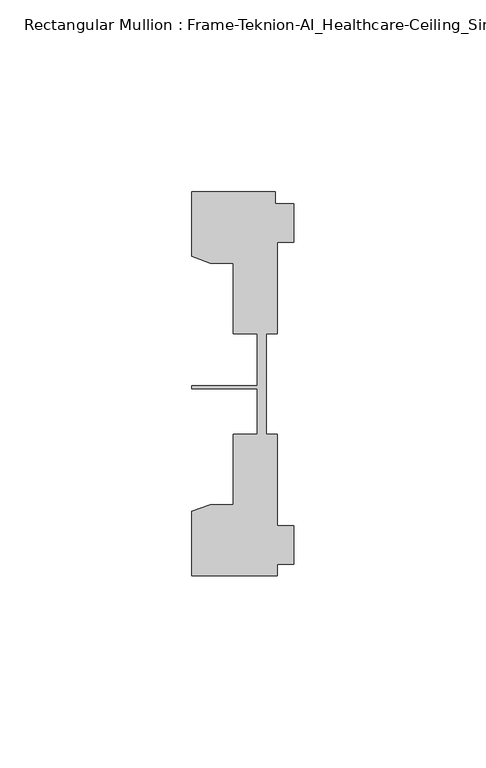
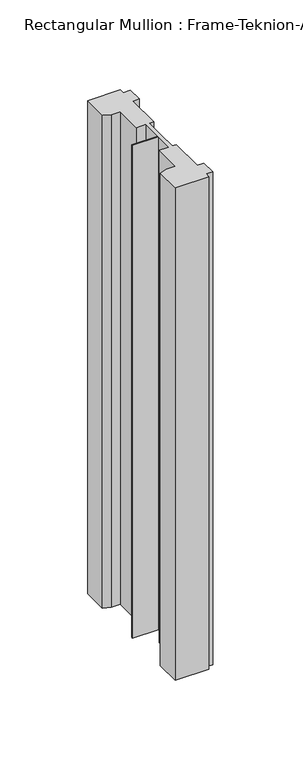
"""IFC4 building model written with IfcOpenShell, lengths in millimetres: member geometry, Rectangular Mullion : Frame-Teknion-AI_Healthcare-Ceiling_Single_Channel."""

from ifc_helpers import new_model, si_unit, frame, origin, place, context, project, spatial, polyline, outline, extrude, source, transform, mapped, element, save


def rectangular_mullion_frame_teknion_ai_healthcare_ceiling_2fa4c1da(model_context):
    return source(origin(), model_context, "Body", "SweptSolid", [
        extrude(outline(polyline([(-26.4921999, 34.0201677), (-26.4921999, 50.8315128), (-4.7752002, 50.8315128), (-4.7752002, 47.782071), (0.0, 47.782071), (0.0, 37.7820716), (-4.2672007, 37.7820716), (-4.2672007, 13.9110722), (-7.1647766, 13.9110722), (-7.1647766, 0.0814804), (-7.1647766, -12.2509301), (-4.2672007, -12.2509301), (-4.2672007, -36.1219249), (0.0, -36.1219249), (0.0, -46.1219322), (-4.2672007, -46.1219322), (-4.2672007, -49.1699293), (-26.4921999, -49.1699293), (-26.4921999, -32.3600207), (-21.6625199, -30.6279561), (-15.6737764, -30.6279561), (-15.6737764, -12.2509301), (-9.4507761, -12.2509301), (-9.4507761, -0.4036528), (-26.4921999, -0.4036528), (-26.4921999, 0.4036528), (-9.4507761, 0.4036528), (-9.4507761, 13.9110722), (-15.6737764, 13.9110722), (-15.6737764, 32.2880982), (-21.6625199, 32.2880982), (-26.4921999, 34.0201677)])), frame((0.0, 0.0, -343.5831969), z_axis=(0.0, 0.0, 1.0), x_axis=(1.0, 0.0, 0.0)), (0.0, 0.0, 1.0), 343.5831969),
    ])


if __name__ == "__main__":
    model = new_model("IFC4")
    model_context = context("Model", 3, world=origin())
    ifc_project = project(units=[si_unit("LENGTHUNIT", "METRE", prefix="MILLI")], contexts=[model_context])
    site = spatial("IfcSite", under=ifc_project)
    building = spatial("IfcBuilding", under=site)
    placement = place(None, origin())
    rectangular_mullion_frame_teknion_ai_healthcare_ceiling_shape = rectangular_mullion_frame_teknion_ai_healthcare_ceiling_2fa4c1da(model_context)
    element("IfcMember", 1, ObjectType="Rectangular Mullion : Frame-Teknion-AI_Healthcare-Ceiling_Single_Channel", at=placement, inside=building, context=model_context, shape_type="MappedRepresentation", body=[
        mapped(rectangular_mullion_frame_teknion_ai_healthcare_ceiling_shape, transform((0.0, 0.0, 0.0), x_axis=(1.0, 0.0, 0.0), y_axis=(0.0, 1.0, 0.0), z_axis=(0.0, 0.0, 1.0))),
    ])
    save(model, "model.ifc")
